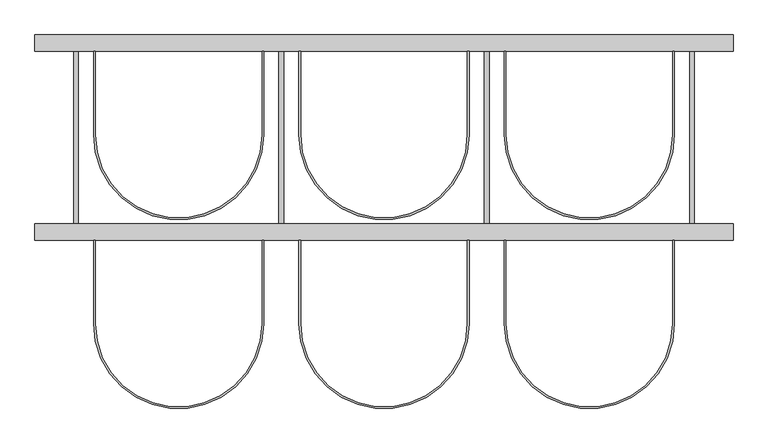
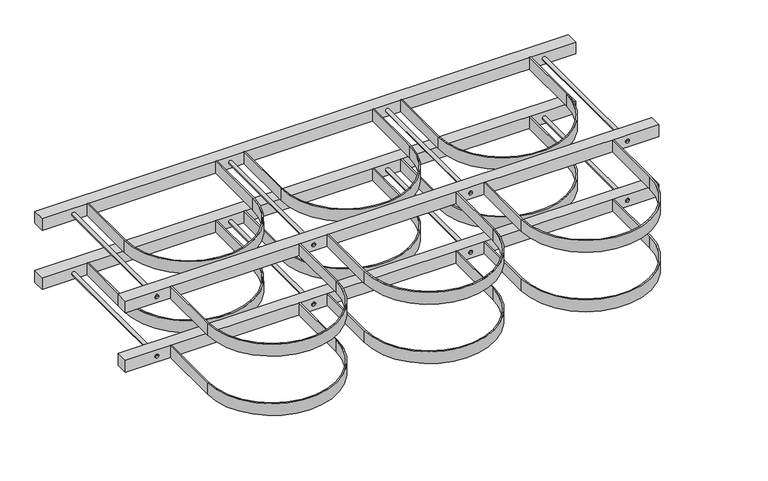
"""IFC4 building model written with IfcOpenShell, lengths in millimetres: proxy geometry."""

from ifc_helpers import new_model, si_unit, point, frame, frame_2d, origin, origin_2d, place, context, project, spatial, polyline, circle_curve, trimmed, segment, composite_curve, outline, extrude, source, transform, mapped, element, save
from ifc_brep_helpers import plane_surface, cylinder_surface, advanced_brep


def specialty_equipment_1c5bded4(model_context):
    return source(origin(), model_context, "Body", "SolidModel", [
        extrude(outline(composite_curve([segment(polyline([(797.0, -257.0), (797.0, -460.0)]), True, "CONTINUOUS"), segment(trimmed(circle_curve(frame_2d((1000.0, -460.0)), 203.0), [point((797.0, -460.0))], [point((1203.0, -460.0))], True, "CARTESIAN"), True, "CONTINUOUS"), segment(polyline([(1203.0, -460.0), (1203.0, -257.0), (1207.0, -257.0), (1207.0, -460.0)]), True, "CONTINUOUS"), segment(trimmed(circle_curve(frame_2d((1000.0, -460.0)), 207.0), [point((1207.0, -460.0))], [point((793.0, -460.0))], False, "CARTESIAN"), True, "CONTINUOUS"), segment(polyline([(793.0, -460.0), (793.0, -257.0), (797.0, -257.0)]), True, "CONTINUOUS")], self_intersect=False)), frame((0.0, 0.0, 180.0), z_axis=(0.0, 0.0, 1.0), x_axis=(1.0, 0.0, 0.0)), (0.0, 0.0, 1.0), 40.0),
        advanced_brep(
        [(1256.0, -257.0, 200.0), (1244.0, -257.0, 200.0), (1244.0, 203.0, 200.0), (1256.0, 203.0, 200.0), (1250.0, -257.0, 200.0), (1250.0, 203.0, 200.0)],
        [
            (0, 1, circle_curve(frame((1250.0, -257.0, 200.0), z_axis=(0.0, 1.0, 0.0), x_axis=(-1.0, 0.0, 0.0)), 6.0)),
            (1, 2),
            (2, 3, circle_curve(frame((1250.0, 203.0, 200.0), z_axis=(0.0, -1.0, 0.0), x_axis=(-1.0, 0.0, 0.0)), 6.0)),
            (3, 0),
            (1, 0, circle_curve(frame((1250.0, -257.0, 200.0), z_axis=(0.0, 1.0, 0.0), x_axis=(-1.0, 0.0, 0.0)), 6.0)),
            (3, 2, circle_curve(frame((1250.0, 203.0, 200.0), z_axis=(0.0, -1.0, 0.0), x_axis=(-1.0, 0.0, 0.0)), 6.0)),
            (4, 1),
            (0, 4),
            (2, 5),
            (5, 3),
        ],
        [
            cylinder_surface(frame((1250.0, 1727.0, 200.0), z_axis=(0.0, -1.0, 0.0), x_axis=(-1.0, 0.0, 0.0)), 6.0),
            plane_surface(frame((1250.0, -257.0, 200.0), z_axis=(0.0, -1.0, 0.0), x_axis=(-1.0, 0.0, 0.0))),
            plane_surface(frame((1250.0, 203.0, 200.0), z_axis=(0.0, 1.0, 0.0), x_axis=(-1.0, 0.0, 0.0))),
        ],
        [
            (0, [[1, 2, 3, 4]]),
            (0, [[5, -4, 6, -2]]),
            (1, [[7, -1, 8]]),
            (1, [[-8, -5, -7]]),
            (2, [[-3, 9, 10]]),
            (2, [[-6, -10, -9]]),
        ],
    ),
        extrude(outline(composite_curve([segment(polyline([(797.0, 203.0), (797.0, 0.0)]), True, "CONTINUOUS"), segment(trimmed(circle_curve(frame_2d((1000.0, 0.0)), 203.0), [point((797.0, 0.0))], [point((1203.0, 0.0))], True, "CARTESIAN"), True, "CONTINUOUS"), segment(polyline([(1203.0, 0.0), (1203.0, 203.0), (1207.0, 203.0), (1207.0, 0.0)]), True, "CONTINUOUS"), segment(trimmed(circle_curve(frame_2d((1000.0, 0.0)), 207.0), [point((1207.0, 0.0))], [point((793.0, 0.0))], False, "CARTESIAN"), True, "CONTINUOUS"), segment(polyline([(793.0, 0.0), (793.0, 203.0), (797.0, 203.0)]), True, "CONTINUOUS")], self_intersect=False)), frame((0.0, 0.0, 180.0), z_axis=(0.0, 0.0, 1.0), x_axis=(1.0, 0.0, 0.0)), (0.0, 0.0, 1.0), 40.0),
        extrude(outline(composite_curve([segment(polyline([(297.0, -257.0), (297.0, -460.0)]), True, "CONTINUOUS"), segment(trimmed(circle_curve(frame_2d((500.0, -460.0)), 203.0), [point((297.0, -460.0))], [point((703.0, -460.0))], True, "CARTESIAN"), True, "CONTINUOUS"), segment(polyline([(703.0, -460.0), (703.0, -257.0), (707.0, -257.0), (707.0, -460.0)]), True, "CONTINUOUS"), segment(trimmed(circle_curve(frame_2d((500.0, -460.0)), 207.0), [point((707.0, -460.0))], [point((293.0, -460.0))], False, "CARTESIAN"), True, "CONTINUOUS"), segment(polyline([(293.0, -460.0), (293.0, -257.0), (297.0, -257.0)]), True, "CONTINUOUS")], self_intersect=False)), frame((0.0, 0.0, 180.0), z_axis=(0.0, 0.0, 1.0), x_axis=(1.0, 0.0, 0.0)), (0.0, 0.0, 1.0), 40.0),
        advanced_brep(
        [(756.0, -257.0, 200.0), (744.0, -257.0, 200.0), (744.0, 203.0, 200.0), (756.0, 203.0, 200.0), (750.0, -257.0, 200.0), (750.0, 203.0, 200.0)],
        [
            (0, 1, circle_curve(frame((750.0, -257.0, 200.0), z_axis=(0.0, 1.0, 0.0), x_axis=(-1.0, 0.0, 0.0)), 6.0)),
            (1, 2),
            (2, 3, circle_curve(frame((750.0, 203.0, 200.0), z_axis=(0.0, -1.0, 0.0), x_axis=(-1.0, 0.0, 0.0)), 6.0)),
            (3, 0),
            (1, 0, circle_curve(frame((750.0, -257.0, 200.0), z_axis=(0.0, 1.0, 0.0), x_axis=(-1.0, 0.0, 0.0)), 6.0)),
            (3, 2, circle_curve(frame((750.0, 203.0, 200.0), z_axis=(0.0, -1.0, 0.0), x_axis=(-1.0, 0.0, 0.0)), 6.0)),
            (4, 1),
            (0, 4),
            (2, 5),
            (5, 3),
        ],
        [
            cylinder_surface(frame((750.0, 1727.0, 200.0), z_axis=(0.0, -1.0, 0.0), x_axis=(-1.0, 0.0, 0.0)), 6.0),
            plane_surface(frame((750.0, -257.0, 200.0), z_axis=(0.0, -1.0, 0.0), x_axis=(-1.0, 0.0, 0.0))),
            plane_surface(frame((750.0, 203.0, 200.0), z_axis=(0.0, 1.0, 0.0), x_axis=(-1.0, 0.0, 0.0))),
        ],
        [
            (0, [[1, 2, 3, 4]]),
            (0, [[5, -4, 6, -2]]),
            (1, [[7, -1, 8]]),
            (1, [[-8, -5, -7]]),
            (2, [[-3, 9, 10]]),
            (2, [[-6, -10, -9]]),
        ],
    ),
        advanced_brep(
        [(256.0, -257.0, 200.0), (244.0, -257.0, 200.0), (244.0, 203.0, 200.0), (256.0, 203.0, 200.0), (250.0, -257.0, 200.0), (250.0, 203.0, 200.0)],
        [
            (0, 1, circle_curve(frame((250.0, -257.0, 200.0), z_axis=(0.0, 1.0, 0.0), x_axis=(-1.0, 0.0, 0.0)), 6.0)),
            (1, 2),
            (2, 3, circle_curve(frame((250.0, 203.0, 200.0), z_axis=(0.0, -1.0, 0.0), x_axis=(-1.0, 0.0, 0.0)), 6.0)),
            (3, 0),
            (1, 0, circle_curve(frame((250.0, -257.0, 200.0), z_axis=(0.0, 1.0, 0.0), x_axis=(-1.0, 0.0, 0.0)), 6.0)),
            (3, 2, circle_curve(frame((250.0, 203.0, 200.0), z_axis=(0.0, -1.0, 0.0), x_axis=(-1.0, 0.0, 0.0)), 6.0)),
            (4, 1),
            (0, 4),
            (2, 5),
            (5, 3),
        ],
        [
            cylinder_surface(frame((250.0, 1727.0, 200.0), z_axis=(0.0, -1.0, 0.0), x_axis=(-1.0, 0.0, 0.0)), 6.0),
            plane_surface(frame((250.0, -257.0, 200.0), z_axis=(0.0, -1.0, 0.0), x_axis=(-1.0, 0.0, 0.0))),
            plane_surface(frame((250.0, 203.0, 200.0), z_axis=(0.0, 1.0, 0.0), x_axis=(-1.0, 0.0, 0.0))),
        ],
        [
            (0, [[1, 2, 3, 4]]),
            (0, [[5, -4, 6, -2]]),
            (1, [[7, -1, 8]]),
            (1, [[-8, -5, -7]]),
            (2, [[-3, 9, 10]]),
            (2, [[-6, -10, -9]]),
        ],
    ),
        extrude(outline(composite_curve([segment(polyline([(-203.0, -257.0), (-203.0, -460.0)]), True, "CONTINUOUS"), segment(trimmed(circle_curve(frame_2d((0.0, -460.0)), 203.0), [point((-203.0, -460.0))], [point((203.0, -460.0))], True, "CARTESIAN"), True, "CONTINUOUS"), segment(polyline([(203.0, -460.0), (203.0, -257.0), (207.0, -257.0), (207.0, -460.0)]), True, "CONTINUOUS"), segment(trimmed(circle_curve(frame_2d((0.0, -460.0)), 207.0), [point((207.0, -460.0))], [point((-207.0, -460.0))], False, "CARTESIAN"), True, "CONTINUOUS"), segment(polyline([(-207.0, -460.0), (-207.0, -257.0), (-203.0, -257.0)]), True, "CONTINUOUS")], self_intersect=False)), frame((0.0, 0.0, 180.0), z_axis=(0.0, 0.0, 1.0), x_axis=(1.0, 0.0, 0.0)), (0.0, 0.0, 1.0), 40.0),
        advanced_brep(
        [(-244.0, -257.0, 200.0), (-256.0, -257.0, 200.0), (-256.0, 203.0, 200.0), (-244.0, 203.0, 200.0), (-250.0, -257.0, 200.0), (-250.0, 203.0, 200.0)],
        [
            (0, 1, circle_curve(frame((-250.0, -257.0, 200.0), z_axis=(0.0, 1.0, 0.0), x_axis=(-1.0, 0.0, 0.0)), 6.0)),
            (1, 2),
            (2, 3, circle_curve(frame((-250.0, 203.0, 200.0), z_axis=(0.0, -1.0, 0.0), x_axis=(-1.0, 0.0, 0.0)), 6.0)),
            (3, 0),
            (1, 0, circle_curve(frame((-250.0, -257.0, 200.0), z_axis=(0.0, 1.0, 0.0), x_axis=(-1.0, 0.0, 0.0)), 6.0)),
            (3, 2, circle_curve(frame((-250.0, 203.0, 200.0), z_axis=(0.0, -1.0, 0.0), x_axis=(-1.0, 0.0, 0.0)), 6.0)),
            (4, 1),
            (0, 4),
            (2, 5),
            (5, 3),
        ],
        [
            cylinder_surface(frame((-250.0, 1727.0, 200.0), z_axis=(0.0, -1.0, 0.0), x_axis=(-1.0, 0.0, 0.0)), 6.0),
            plane_surface(frame((-250.0, -257.0, 200.0), z_axis=(0.0, -1.0, 0.0), x_axis=(-1.0, 0.0, 0.0))),
            plane_surface(frame((-250.0, 203.0, 200.0), z_axis=(0.0, 1.0, 0.0), x_axis=(-1.0, 0.0, 0.0))),
        ],
        [
            (0, [[1, 2, 3, 4]]),
            (0, [[5, -4, 6, -2]]),
            (1, [[7, -1, 8]]),
            (1, [[-8, -5, -7]]),
            (2, [[-3, 9, 10]]),
            (2, [[-6, -10, -9]]),
        ],
    ),
        extrude(outline(composite_curve([segment(polyline([(297.0, 203.0), (297.0, 0.0)]), True, "CONTINUOUS"), segment(trimmed(circle_curve(frame_2d((500.0, 0.0)), 203.0), [point((297.0, 0.0))], [point((703.0, 0.0))], True, "CARTESIAN"), True, "CONTINUOUS"), segment(polyline([(703.0, 0.0), (703.0, 203.0), (707.0, 203.0), (707.0, 0.0)]), True, "CONTINUOUS"), segment(trimmed(circle_curve(frame_2d((500.0, 0.0)), 207.0), [point((707.0, 0.0))], [point((293.0, 0.0))], False, "CARTESIAN"), True, "CONTINUOUS"), segment(polyline([(293.0, 0.0), (293.0, 203.0), (297.0, 203.0)]), True, "CONTINUOUS")], self_intersect=False)), frame((0.0, 0.0, 180.0), z_axis=(0.0, 0.0, 1.0), x_axis=(1.0, 0.0, 0.0)), (0.0, 0.0, 1.0), 40.0),
        extrude(outline(composite_curve([segment(polyline([(-203.0, 203.0), (-203.0, 0.0)]), True, "CONTINUOUS"), segment(trimmed(circle_curve(origin_2d(), 203.0), [point((-203.0, 0.0))], [point((203.0, 0.0))], True, "CARTESIAN"), True, "CONTINUOUS"), segment(polyline([(203.0, 0.0), (203.0, 203.0), (207.0, 203.0), (207.0, 0.0)]), True, "CONTINUOUS"), segment(trimmed(circle_curve(origin_2d(), 207.0), [point((207.0, 0.0))], [point((-207.0, 0.0))], False, "CARTESIAN"), True, "CONTINUOUS"), segment(polyline([(-207.0, 0.0), (-207.0, 203.0), (-203.0, 203.0)]), True, "CONTINUOUS")], self_intersect=False)), frame((0.0, 0.0, 180.0), z_axis=(0.0, 0.0, 1.0), x_axis=(1.0, 0.0, 0.0)), (0.0, 0.0, 1.0), 40.0),
        extrude(outline(polyline([(1350.0, -257.0), (-350.0, -257.0), (-350.0, -217.0), (1350.0, -217.0), (1350.0, -257.0)])), frame((0.0, 0.0, 180.0), z_axis=(0.0, 0.0, 1.0), x_axis=(1.0, 0.0, 0.0)), (0.0, 0.0, 1.0), 40.0),
        extrude(outline(polyline([(1350.0, 203.0), (-350.0, 203.0), (-350.0, 243.0), (1350.0, 243.0), (1350.0, 203.0)])), frame((0.0, 0.0, 180.0), z_axis=(0.0, 0.0, 1.0), x_axis=(1.0, 0.0, 0.0)), (0.0, 0.0, 1.0), 40.0),
        extrude(outline(composite_curve([segment(polyline([(797.0, -257.0), (797.0, -460.0)]), True, "CONTINUOUS"), segment(trimmed(circle_curve(frame_2d((1000.0, -460.0)), 203.0), [point((797.0, -460.0))], [point((1203.0, -460.0))], True, "CARTESIAN"), True, "CONTINUOUS"), segment(polyline([(1203.0, -460.0), (1203.0, -257.0), (1207.0, -257.0), (1207.0, -460.0)]), True, "CONTINUOUS"), segment(trimmed(circle_curve(frame_2d((1000.0, -460.0)), 207.0), [point((1207.0, -460.0))], [point((793.0, -460.0))], False, "CARTESIAN"), True, "CONTINUOUS"), segment(polyline([(793.0, -460.0), (793.0, -257.0), (797.0, -257.0)]), True, "CONTINUOUS")], self_intersect=False)), frame((0.0, 0.0, -20.0), z_axis=(0.0, 0.0, 1.0), x_axis=(1.0, 0.0, 0.0)), (0.0, 0.0, 1.0), 40.0),
        advanced_brep(
        [(1256.0, -257.0, 0.0), (1244.0, -257.0, 0.0), (1244.0, 203.0, 0.0), (1256.0, 203.0, 0.0), (1250.0, -257.0, 0.0), (1250.0, 203.0, 0.0)],
        [
            (0, 1, circle_curve(frame((1250.0, -257.0, 0.0), z_axis=(0.0, 1.0, 0.0), x_axis=(-1.0, 0.0, 0.0)), 6.0)),
            (1, 2),
            (2, 3, circle_curve(frame((1250.0, 203.0, 0.0), z_axis=(0.0, -1.0, 0.0), x_axis=(-1.0, 0.0, 0.0)), 6.0)),
            (3, 0),
            (1, 0, circle_curve(frame((1250.0, -257.0, 0.0), z_axis=(0.0, 1.0, 0.0), x_axis=(-1.0, 0.0, 0.0)), 6.0)),
            (3, 2, circle_curve(frame((1250.0, 203.0, 0.0), z_axis=(0.0, -1.0, 0.0), x_axis=(-1.0, 0.0, 0.0)), 6.0)),
            (4, 1),
            (0, 4),
            (2, 5),
            (5, 3),
        ],
        [
            cylinder_surface(frame((1250.0, 1727.0, 0.0), z_axis=(0.0, -1.0, 0.0), x_axis=(-1.0, 0.0, 0.0)), 6.0),
            plane_surface(frame((1250.0, -257.0, 0.0), z_axis=(0.0, -1.0, 0.0), x_axis=(-1.0, 0.0, 0.0))),
            plane_surface(frame((1250.0, 203.0, 0.0), z_axis=(0.0, 1.0, 0.0), x_axis=(-1.0, 0.0, 0.0))),
        ],
        [
            (0, [[1, 2, 3, 4]]),
            (0, [[5, -4, 6, -2]]),
            (1, [[7, -1, 8]]),
            (1, [[-8, -5, -7]]),
            (2, [[-3, 9, 10]]),
            (2, [[-6, -10, -9]]),
        ],
    ),
        extrude(outline(composite_curve([segment(polyline([(797.0, 203.0), (797.0, 0.0)]), True, "CONTINUOUS"), segment(trimmed(circle_curve(frame_2d((1000.0, 0.0)), 203.0), [point((797.0, 0.0))], [point((1203.0, 0.0))], True, "CARTESIAN"), True, "CONTINUOUS"), segment(polyline([(1203.0, 0.0), (1203.0, 203.0), (1207.0, 203.0), (1207.0, 0.0)]), True, "CONTINUOUS"), segment(trimmed(circle_curve(frame_2d((1000.0, 0.0)), 207.0), [point((1207.0, 0.0))], [point((793.0, 0.0))], False, "CARTESIAN"), True, "CONTINUOUS"), segment(polyline([(793.0, 0.0), (793.0, 203.0), (797.0, 203.0)]), True, "CONTINUOUS")], self_intersect=False)), frame((0.0, 0.0, -20.0), z_axis=(0.0, 0.0, 1.0), x_axis=(1.0, 0.0, 0.0)), (0.0, 0.0, 1.0), 40.0),
        extrude(outline(composite_curve([segment(polyline([(297.0, -257.0), (297.0, -460.0)]), True, "CONTINUOUS"), segment(trimmed(circle_curve(frame_2d((500.0, -460.0)), 203.0), [point((297.0, -460.0))], [point((703.0, -460.0))], True, "CARTESIAN"), True, "CONTINUOUS"), segment(polyline([(703.0, -460.0), (703.0, -257.0), (707.0, -257.0), (707.0, -460.0)]), True, "CONTINUOUS"), segment(trimmed(circle_curve(frame_2d((500.0, -460.0)), 207.0), [point((707.0, -460.0))], [point((293.0, -460.0))], False, "CARTESIAN"), True, "CONTINUOUS"), segment(polyline([(293.0, -460.0), (293.0, -257.0), (297.0, -257.0)]), True, "CONTINUOUS")], self_intersect=False)), frame((0.0, 0.0, -20.0), z_axis=(0.0, 0.0, 1.0), x_axis=(1.0, 0.0, 0.0)), (0.0, 0.0, 1.0), 40.0),
        advanced_brep(
        [(756.0, -257.0, 0.0), (744.0, -257.0, 0.0), (744.0, 203.0, 0.0), (756.0, 203.0, 0.0), (750.0, -257.0, 0.0), (750.0, 203.0, 0.0)],
        [
            (0, 1, circle_curve(frame((750.0, -257.0, 0.0), z_axis=(0.0, 1.0, 0.0), x_axis=(-1.0, 0.0, 0.0)), 6.0)),
            (1, 2),
            (2, 3, circle_curve(frame((750.0, 203.0, 0.0), z_axis=(0.0, -1.0, 0.0), x_axis=(-1.0, 0.0, 0.0)), 6.0)),
            (3, 0),
            (1, 0, circle_curve(frame((750.0, -257.0, 0.0), z_axis=(0.0, 1.0, 0.0), x_axis=(-1.0, 0.0, 0.0)), 6.0)),
            (3, 2, circle_curve(frame((750.0, 203.0, 0.0), z_axis=(0.0, -1.0, 0.0), x_axis=(-1.0, 0.0, 0.0)), 6.0)),
            (4, 1),
            (0, 4),
            (2, 5),
            (5, 3),
        ],
        [
            cylinder_surface(frame((750.0, 1727.0, 0.0), z_axis=(0.0, -1.0, 0.0), x_axis=(-1.0, 0.0, 0.0)), 6.0),
            plane_surface(frame((750.0, -257.0, 0.0), z_axis=(0.0, -1.0, 0.0), x_axis=(-1.0, 0.0, 0.0))),
            plane_surface(frame((750.0, 203.0, 0.0), z_axis=(0.0, 1.0, 0.0), x_axis=(-1.0, 0.0, 0.0))),
        ],
        [
            (0, [[1, 2, 3, 4]]),
            (0, [[5, -4, 6, -2]]),
            (1, [[7, -1, 8]]),
            (1, [[-8, -5, -7]]),
            (2, [[-3, 9, 10]]),
            (2, [[-6, -10, -9]]),
        ],
    ),
        advanced_brep(
        [(256.0, -257.0, 0.0), (244.0, -257.0, 0.0), (244.0, 203.0, 0.0), (256.0, 203.0, 0.0), (250.0, -257.0, 0.0), (250.0, 203.0, 0.0)],
        [
            (0, 1, circle_curve(frame((250.0, -257.0, 0.0), z_axis=(0.0, 1.0, 0.0), x_axis=(-1.0, 0.0, 0.0)), 6.0)),
            (1, 2),
            (2, 3, circle_curve(frame((250.0, 203.0, 0.0), z_axis=(0.0, -1.0, 0.0), x_axis=(-1.0, 0.0, 0.0)), 6.0)),
            (3, 0),
            (1, 0, circle_curve(frame((250.0, -257.0, 0.0), z_axis=(0.0, 1.0, 0.0), x_axis=(-1.0, 0.0, 0.0)), 6.0)),
            (3, 2, circle_curve(frame((250.0, 203.0, 0.0), z_axis=(0.0, -1.0, 0.0), x_axis=(-1.0, 0.0, 0.0)), 6.0)),
            (4, 1),
            (0, 4),
            (2, 5),
            (5, 3),
        ],
        [
            cylinder_surface(frame((250.0, 1727.0, 0.0), z_axis=(0.0, -1.0, 0.0), x_axis=(-1.0, 0.0, 0.0)), 6.0),
            plane_surface(frame((250.0, -257.0, 0.0), z_axis=(0.0, -1.0, 0.0), x_axis=(-1.0, 0.0, 0.0))),
            plane_surface(frame((250.0, 203.0, 0.0), z_axis=(0.0, 1.0, 0.0), x_axis=(-1.0, 0.0, 0.0))),
        ],
        [
            (0, [[1, 2, 3, 4]]),
            (0, [[5, -4, 6, -2]]),
            (1, [[7, -1, 8]]),
            (1, [[-8, -5, -7]]),
            (2, [[-3, 9, 10]]),
            (2, [[-6, -10, -9]]),
        ],
    ),
        extrude(outline(composite_curve([segment(polyline([(-203.0, -257.0), (-203.0, -460.0)]), True, "CONTINUOUS"), segment(trimmed(circle_curve(frame_2d((0.0, -460.0)), 203.0), [point((-203.0, -460.0))], [point((203.0, -460.0))], True, "CARTESIAN"), True, "CONTINUOUS"), segment(polyline([(203.0, -460.0), (203.0, -257.0), (207.0, -257.0), (207.0, -460.0)]), True, "CONTINUOUS"), segment(trimmed(circle_curve(frame_2d((0.0, -460.0)), 207.0), [point((207.0, -460.0))], [point((-207.0, -460.0))], False, "CARTESIAN"), True, "CONTINUOUS"), segment(polyline([(-207.0, -460.0), (-207.0, -257.0), (-203.0, -257.0)]), True, "CONTINUOUS")], self_intersect=False)), frame((0.0, 0.0, -20.0), z_axis=(0.0, 0.0, 1.0), x_axis=(1.0, 0.0, 0.0)), (0.0, 0.0, 1.0), 40.0),
        advanced_brep(
        [(-244.0, -257.0, 0.0), (-256.0, -257.0, 0.0), (-256.0, 203.0, 0.0), (-244.0, 203.0, 0.0), (-250.0, -257.0, 0.0), (-250.0, 203.0, 0.0)],
        [
            (0, 1, circle_curve(frame((-250.0, -257.0, 0.0), z_axis=(0.0, 1.0, 0.0), x_axis=(-1.0, 0.0, 0.0)), 6.0)),
            (1, 2),
            (2, 3, circle_curve(frame((-250.0, 203.0, 0.0), z_axis=(0.0, -1.0, 0.0), x_axis=(-1.0, 0.0, 0.0)), 6.0)),
            (3, 0),
            (1, 0, circle_curve(frame((-250.0, -257.0, 0.0), z_axis=(0.0, 1.0, 0.0), x_axis=(-1.0, 0.0, 0.0)), 6.0)),
            (3, 2, circle_curve(frame((-250.0, 203.0, 0.0), z_axis=(0.0, -1.0, 0.0), x_axis=(-1.0, 0.0, 0.0)), 6.0)),
            (4, 1),
            (0, 4),
            (2, 5),
            (5, 3),
        ],
        [
            cylinder_surface(frame((-250.0, 1727.0, 0.0), z_axis=(0.0, -1.0, 0.0), x_axis=(-1.0, 0.0, 0.0)), 6.0),
            plane_surface(frame((-250.0, -257.0, 0.0), z_axis=(0.0, -1.0, 0.0), x_axis=(-1.0, 0.0, 0.0))),
            plane_surface(frame((-250.0, 203.0, 0.0), z_axis=(0.0, 1.0, 0.0), x_axis=(-1.0, 0.0, 0.0))),
        ],
        [
            (0, [[1, 2, 3, 4]]),
            (0, [[5, -4, 6, -2]]),
            (1, [[7, -1, 8]]),
            (1, [[-8, -5, -7]]),
            (2, [[-3, 9, 10]]),
            (2, [[-6, -10, -9]]),
        ],
    ),
        extrude(outline(composite_curve([segment(polyline([(297.0, 203.0), (297.0, 0.0)]), True, "CONTINUOUS"), segment(trimmed(circle_curve(frame_2d((500.0, 0.0)), 203.0), [point((297.0, 0.0))], [point((703.0, 0.0))], True, "CARTESIAN"), True, "CONTINUOUS"), segment(polyline([(703.0, 0.0), (703.0, 203.0), (707.0, 203.0), (707.0, 0.0)]), True, "CONTINUOUS"), segment(trimmed(circle_curve(frame_2d((500.0, 0.0)), 207.0), [point((707.0, 0.0))], [point((293.0, 0.0))], False, "CARTESIAN"), True, "CONTINUOUS"), segment(polyline([(293.0, 0.0), (293.0, 203.0), (297.0, 203.0)]), True, "CONTINUOUS")], self_intersect=False)), frame((0.0, 0.0, -20.0), z_axis=(0.0, 0.0, 1.0), x_axis=(1.0, 0.0, 0.0)), (0.0, 0.0, 1.0), 40.0),
        extrude(outline(composite_curve([segment(polyline([(-203.0, 203.0), (-203.0, 0.0)]), True, "CONTINUOUS"), segment(trimmed(circle_curve(origin_2d(), 203.0), [point((-203.0, 0.0))], [point((203.0, 0.0))], True, "CARTESIAN"), True, "CONTINUOUS"), segment(polyline([(203.0, 0.0), (203.0, 203.0), (207.0, 203.0), (207.0, 0.0)]), True, "CONTINUOUS"), segment(trimmed(circle_curve(origin_2d(), 207.0), [point((207.0, 0.0))], [point((-207.0, 0.0))], False, "CARTESIAN"), True, "CONTINUOUS"), segment(polyline([(-207.0, 0.0), (-207.0, 203.0), (-203.0, 203.0)]), True, "CONTINUOUS")], self_intersect=False)), frame((0.0, 0.0, -20.0), z_axis=(0.0, 0.0, 1.0), x_axis=(1.0, 0.0, 0.0)), (0.0, 0.0, 1.0), 40.0),
        extrude(outline(polyline([(1350.0, -257.0), (-350.0, -257.0), (-350.0, -217.0), (1350.0, -217.0), (1350.0, -257.0)])), frame((0.0, 0.0, -20.0), z_axis=(0.0, 0.0, 1.0), x_axis=(1.0, 0.0, 0.0)), (0.0, 0.0, 1.0), 40.0),
        extrude(outline(polyline([(1350.0, 203.0), (-350.0, 203.0), (-350.0, 243.0), (1350.0, 243.0), (1350.0, 203.0)])), frame((0.0, 0.0, -20.0), z_axis=(0.0, 0.0, 1.0), x_axis=(1.0, 0.0, 0.0)), (0.0, 0.0, 1.0), 40.0),
    ])


if __name__ == "__main__":
    model = new_model("IFC4")
    model_context = context("Model", 3, world=origin())
    ifc_project = project(units=[si_unit("LENGTHUNIT", "METRE", prefix="MILLI")], contexts=[model_context])
    site = spatial("IfcSite", under=ifc_project)
    building = spatial("IfcBuilding", under=site)
    placement = place(None, origin())
    specialty_equipment_shape = specialty_equipment_1c5bded4(model_context)
    element("IfcBuildingElementProxy", 1, Name="Specialty Equipment", at=placement, inside=building, context=model_context, shape_type="MappedRepresentation", body=[
        mapped(specialty_equipment_shape, transform((0.0, 0.0, 0.0), x_axis=(1.0, 0.0, 0.0), y_axis=(0.0, 1.0, 0.0), z_axis=(0.0, 0.0, 1.0))),
    ])
    save(model, "model.ifc")
